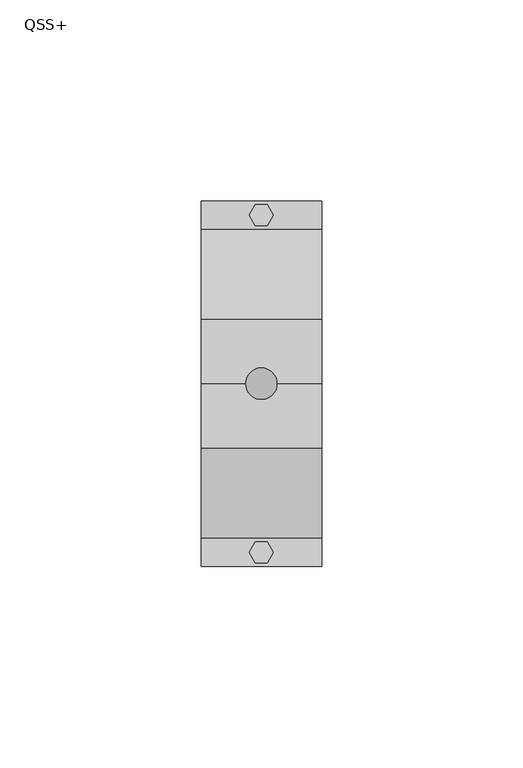
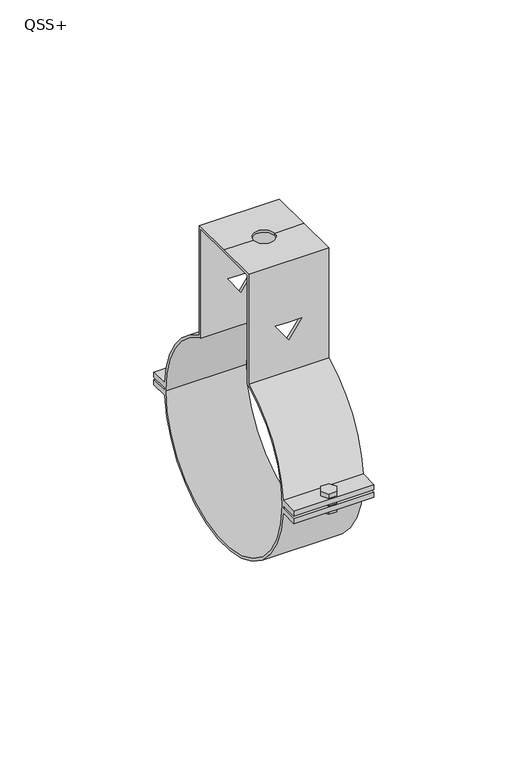
"""IFC4 building model written with IfcOpenShell, lengths in millimetres: proxy geometry, QSS+."""

import ifcopenshell
import ifcopenshell.guid

model = None  # the IFC model being written
_history = None  # IfcOwnerHistory: only IFC2X3 demands one
_inside = {}  # id of a spatial element -> (the spatial element, [elements in it])
_under = {}  # id of a project, library or spatial element -> (it, [spatial elements below it])
_declared = {}  # id of a project -> (the project, [libraries it declares])
_typed = {}  # id of a type object -> (the type object, [elements of that type])
_made_of = {}  # id of a material, layer set ... -> (it, [elements and type objects made of it])


def new_model(schema):
    """Start an empty IFC model of exactly this schema.

    Asked for "IFC4X3", IfcOpenShell would pick the latest addendum, in which some entities
    have other attributes; the version numbers below select the first issue.
    IFC2X3 requires an IfcOwnerHistory on every rooted entity: one is made here for all.
    """
    global model, _history
    if schema == "IFC4X3":
        model = ifcopenshell.file(schema_version=(4, 3, 0, 0))
    else:
        model = ifcopenshell.file(schema=schema)
    _inside.clear()
    _under.clear()
    _declared.clear()
    _typed.clear()
    _made_of.clear()
    _history = None
    if model.schema == "IFC2X3":
        org = make("IfcOrganization", Name="unknown")
        user = make(
            "IfcPersonAndOrganization",
            ThePerson=make("IfcPerson", FamilyName="unknown"),
            TheOrganization=org,
        )
        app = make(
            "IfcApplication",
            ApplicationDeveloper=org,
            Version="unknown",
            ApplicationFullName="unknown",
            ApplicationIdentifier="unknown",
        )
        _history = make(
            "IfcOwnerHistory",
            OwningUser=user,
            OwningApplication=app,
            ChangeAction="ADDED",
            CreationDate=0,
        )
    return model


def make(cls, **values):
    """One entity of the class cls with the attributes given. An attribute that is None is left unset."""
    return model.create_entity(
        cls, **{name: value for name, value in values.items() if value is not None}
    )


def rooted(cls, **values):
    """An entity with a GlobalId (a new one), such as an element, a storey or a relation."""
    return make(cls, GlobalId=ifcopenshell.guid.new(), OwnerHistory=_history, **values)


def si_unit(unit_type, name, prefix=None):
    """IfcSIUnit, for example si_unit("LENGTHUNIT", "METRE", prefix="MILLI")."""
    return make("IfcSIUnit", UnitType=unit_type, Prefix=prefix, Name=name)


def assignment(units):
    """IfcUnitAssignment: the units of a project."""
    return None if units is None else make("IfcUnitAssignment", Units=units)


def point(xyz):
    """IfcCartesianPoint."""
    return None if xyz is None else make("IfcCartesianPoint", Coordinates=xyz)


def direction(xyz):
    """IfcDirection."""
    return None if xyz is None else make("IfcDirection", DirectionRatios=xyz)


def frame(location, z_axis=None, x_axis=None):
    """IfcAxis2Placement3D, a coordinate frame: its origin and axes. An axis left out is left unset."""
    return make(
        "IfcAxis2Placement3D",
        Location=point(location),
        Axis=direction(z_axis),
        RefDirection=direction(x_axis),
    )


def origin():
    """The frame at (0, 0, 0) with its axes left unset."""
    return frame((0.0, 0.0, 0.0))


def place(relative_to, where):
    """IfcLocalPlacement: puts the frame where relative to a parent placement (None: the world)."""
    return make(
        "IfcLocalPlacement", PlacementRelTo=relative_to, RelativePlacement=where
    )


def context(
    kind, dimensions, precision=None, world=None, true_north=None, identifier=None
):
    """IfcGeometricRepresentationContext, for example the 3D "Model" context."""
    return make(
        "IfcGeometricRepresentationContext",
        ContextIdentifier=identifier,
        ContextType=kind,
        CoordinateSpaceDimension=dimensions,
        Precision=precision,
        WorldCoordinateSystem=world,
        TrueNorth=true_north,
    )


def project(units=None, contexts=None):
    """IfcProject with its units and contexts."""
    return rooted(
        "IfcProject",
        Name="project",
        RepresentationContexts=contexts,
        UnitsInContext=assignment(units),
    )


def spatial(cls, under=None, at=None, **own):
    """A site, building, storey or space (cls), placed at a placement, below another one or the project."""
    s = rooted(cls, ObjectPlacement=at, **own)
    if under is not None:
        _under.setdefault(under.id(), (under, []))[1].append(s)
    return s


def polyline(points):
    """IfcPolyline through the points."""
    return make("IfcPolyline", Points=[point(p) for p in points])


def circle_curve(where, radius):
    """IfcCircle in the frame where."""
    return make("IfcCircle", Position=where, Radius=radius)


def outline(outer, holes=None, kind="AREA"):
    """IfcArbitraryClosedProfileDef: a profile drawn as a closed curve; with holes, ...WithVoids."""
    if holes is None:
        return make("IfcArbitraryClosedProfileDef", ProfileType=kind, OuterCurve=outer)
    return make(
        "IfcArbitraryProfileDefWithVoids",
        ProfileType=kind,
        OuterCurve=outer,
        InnerCurves=holes,
    )


def extrude(swept, where, along, depth):
    """IfcExtrudedAreaSolid: the profile swept, set in the frame where, extruded along a direction by depth."""
    return make(
        "IfcExtrudedAreaSolid",
        SweptArea=swept,
        Position=where,
        ExtrudedDirection=direction(along),
        Depth=depth,
    )


def shape(context_of_items, identifier, shape_type, items):
    """IfcShapeRepresentation: the items that make up one representation, for example the "Body"."""
    return make(
        "IfcShapeRepresentation",
        ContextOfItems=context_of_items,
        RepresentationIdentifier=identifier,
        RepresentationType=shape_type,
        Items=items,
    )


def source(mapping_origin, context_of_items, identifier, shape_type, items):
    """IfcRepresentationMap: a shape defined once, which mapped items show again and again."""
    return make(
        "IfcRepresentationMap",
        MappingOrigin=mapping_origin,
        MappedRepresentation=shape(context_of_items, identifier, shape_type, items),
    )


def transform(
    local_origin,
    x_axis=None,
    y_axis=None,
    z_axis=None,
    scale=None,
    scale2=None,
    scale3=None,
    uniform=True,
):
    """IfcCartesianTransformationOperator3D, or its non-uniform kind. x_axis, y_axis, z_axis: its Axis1, 2, 3."""
    if uniform:
        return make(
            "IfcCartesianTransformationOperator3D",
            Axis1=direction(x_axis),
            Axis2=direction(y_axis),
            LocalOrigin=point(local_origin),
            Scale=scale,
            Axis3=direction(z_axis),
        )
    return make(
        "IfcCartesianTransformationOperator3DnonUniform",
        Axis1=direction(x_axis),
        Axis2=direction(y_axis),
        LocalOrigin=point(local_origin),
        Scale=scale,
        Axis3=direction(z_axis),
        Scale2=scale2,
        Scale3=scale3,
    )


def mapped(mapping_source, mapping_target):
    """IfcMappedItem: shows the shape of a source again, moved by a transform."""
    return make(
        "IfcMappedItem", MappingSource=mapping_source, MappingTarget=mapping_target
    )


def made_of(thing, what):
    """Note that an element or type object is made of a material, layer set ...; save() writes the relation."""
    if what is not None:
        _made_of.setdefault(what.id(), (what, []))[1].append(thing)
    return thing


def element(
    cls,
    number,
    at=None,
    inside=None,
    cuts=None,
    type_object=None,
    material=None,
    context=None,
    identifier="Body",
    shape_type=None,
    held_by="IfcProductDefinitionShape",
    body=None,
    shapes=None,
    **own,
):
    """One element of the class cls, such as IfcWall. Its Tag is "e" and its number.

    at: its placement. inside: the storey or other place that contains it. cuts: it is an
    opening in that element (IfcRelVoidsElement). A single representation is given by context,
    identifier, shape_type and body (its items); several are given by shapes. held_by: the class
    of the entity that holds the representations. save() writes the other relations.
    """
    e = rooted(cls, Tag="e%d" % number, ObjectPlacement=at, **own)
    if body is not None:
        shapes = [shape(context, identifier, shape_type, body)]
    if shapes is not None:
        e.Representation = make(held_by, Representations=shapes)
    if inside is not None:
        _inside.setdefault(inside.id(), (inside, []))[1].append(e)
    if cuts is not None:
        rooted(
            "IfcRelVoidsElement", RelatingBuildingElement=cuts, RelatedOpeningElement=e
        )
    if type_object is not None:
        _typed.setdefault(type_object.id(), (type_object, []))[1].append(e)
    return made_of(e, material)


def aggregate(whole, parts):
    """IfcRelAggregates: a whole, such as a stair, and the parts it consists of."""
    return rooted("IfcRelAggregates", RelatingObject=whole, RelatedObjects=parts)


def save(model, path):
    """Write the relations noted so far, then the file.

    IfcRelAggregates (storeys below a building ...), IfcRelContainedInSpatialStructure (elements
    in a storey), IfcRelDefinesByType, IfcRelAssociatesMaterial and IfcRelDeclares: one each for
    every whole, place, type object, material and project.
    """
    for whole, parts in _under.values():
        aggregate(whole, parts)
    for where, things in _inside.values():
        rooted(
            "IfcRelContainedInSpatialStructure",
            RelatedElements=things,
            RelatingStructure=where,
        )
    for kind, things in _typed.values():
        rooted("IfcRelDefinesByType", RelatedObjects=things, RelatingType=kind)
    for what, things in _made_of.values():
        rooted("IfcRelAssociatesMaterial", RelatedObjects=things, RelatingMaterial=what)
    for by, libraries in _declared.values():
        rooted("IfcRelDeclares", RelatingContext=by, RelatedDefinitions=libraries)
    model.write(path)


def plane_surface(at):
    """IfcPlane: the flat surface through the origin of the frame at, square to its z axis."""
    return make("IfcPlane", Position=at)


def cylinder_surface(at, radius):
    """IfcCylindricalSurface: all points at the distance radius from the z axis of the frame at."""
    return make("IfcCylindricalSurface", Position=at, Radius=radius)


def revolved_surface(curve, axis_point, axis_direction):
    """IfcSurfaceOfRevolution: the curve turned about the line through axis_point along axis_direction."""
    return make(
        "IfcSurfaceOfRevolution",
        SweptCurve=make("IfcArbitraryOpenProfileDef", ProfileType="CURVE", Curve=curve),
        AxisPosition=make("IfcAxis1Placement", Location=point(axis_point), Axis=direction(axis_direction)),
    )


def advanced_brep(points, edges, surfaces, faces):
    """IfcAdvancedBrep: a solid bounded by faces that lie on surfaces and meet in shared edges.

    An edge is (start, end): straight between two places in points (the first is 0);
    or (start, end, curve); or (start, end, curve, False) where it runs against its curve.
    A face is (place in surfaces, loops), or (place, loops, False) where it looks against
    its surface's normal. A loop lists edges by number (the first is 1), with a minus sign
    where the edge is run from its end to its start. The first loop is the outer one.
    """
    corners = [point(p) for p in points]
    vertices = [make("IfcVertexPoint", VertexGeometry=c) for c in corners]
    made = []
    for start, end, *more in edges:
        made.append(
            make(
                "IfcEdgeCurve",
                EdgeStart=vertices[start],
                EdgeEnd=vertices[end],
                EdgeGeometry=more[0] if more else make("IfcPolyline", Points=[corners[start], corners[end]]),
                SameSense=more[1] if len(more) > 1 else True,
            )
        )
    hull = []
    for where, loops, *sense in faces:
        bounds = []
        for j, loop in enumerate(loops):
            ring = [make("IfcOrientedEdge", EdgeElement=made[abs(k) - 1], Orientation=k > 0) for k in loop]
            bounds.append(
                make(
                    "IfcFaceOuterBound" if j == 0 else "IfcFaceBound",
                    Bound=make("IfcEdgeLoop", EdgeList=ring),
                    Orientation=True,
                )
            )
        hull.append(make("IfcAdvancedFace", Bounds=bounds, FaceSurface=surfaces[where], SameSense=sense[0] if sense else True))
    return make("IfcAdvancedBrep", Outer=make("IfcClosedShell", CfsFaces=hull))


def qss_666f167e(model_context):
    return source(origin(), model_context, "Body", "SolidModel", [
        extrude(outline(polyline([(1.5, 44.5980762), (3.0, 42.0), (1.5, 39.4019238), (-1.5, 39.4019238), (-3.0, 42.0), (-1.5, 44.5980762), (1.5, 44.5980762)])), frame((0.0, 0.0, -4.0), z_axis=(0.0, 0.0, 1.0), x_axis=(1.0, 0.0, 0.0)), (0.0, 0.0, 1.0), 8.0),
        extrude(outline(polyline([(1.5, -44.5980762), (-1.5, -44.5980762), (-3.0, -42.0), (-1.5, -39.4019238), (1.5, -39.4019238), (3.0, -42.0), (1.5, -44.5980762)])), frame((0.0, 0.0, -4.0), z_axis=(0.0, 0.0, 1.0), x_axis=(1.0, 0.0, 0.0)), (0.0, 0.0, 1.0), 8.0),
        advanced_brep(
        [(-15.0, -16.0, 78.5), (-15.0, 0.0, 78.5), (-15.0, 16.0, 78.5), (-15.0, 16.0, 35.0178526), (-15.0, 38.4208961, 2.4667277), (-15.0, 45.5, 2.4667277), (-15.0, 45.5, 0.4667277), (-15.0, 38.4971709, 0.4667277), (-15.0, 38.5, 0.0), (-15.0, 38.4971709, -0.4667277), (-15.0, 45.5, -0.4667277), (-15.0, 45.5, -2.4667277), (-15.0, 38.4208961, -2.4667277), (-15.0, -38.4184499, -2.5045372), (-15.0, -45.5, -2.5045372), (-15.0, -45.5, -0.5045372), (-15.0, -38.4966939, -0.5045372), (-15.0, -38.5, 0.0), (-15.0, -38.4966939, 0.5045372), (-15.0, -45.5, 0.5045372), (-15.0, -45.5, 2.5045372), (-15.0, -38.4184499, 2.5045372), (-15.0, -16.0, 35.0178526), (-15.0, 14.9730976, 77.5081289), (-15.0, 0.0, 77.5081289), (-15.0, -14.9730976, 77.5081289), (-15.0, -14.9730976, 34.3810463), (-15.0, -16.0, 33.9153358), (-15.0, -37.5, 0.0), (-15.0, 37.5, 0.0), (-15.0, 16.0, 33.9153358), (-15.0, 14.9730976, 34.3810463), (15.0, 16.0, 78.5), (15.0, 0.0, 78.5), (15.0, -16.0, 78.5), (15.0, -16.0, 35.0178526), (15.0, -38.4184499, 2.5045372), (15.0, -45.5, 2.5045372), (15.0, -45.5, 0.5045372), (15.0, -38.4966939, 0.5045372), (15.0, -38.5, 0.0), (15.0, -38.4966939, -0.5045372), (15.0, -45.5, -0.5045372), (15.0, -45.5, -2.5045372), (15.0, -38.4184499, -2.5045372), (15.0, 38.4208961, -2.4667277), (15.0, 45.5, -2.4667277), (15.0, 45.5, -0.4667277), (15.0, 38.4971709, -0.4667277), (15.0, 38.5, 0.0), (15.0, 38.4971709, 0.4667277), (15.0, 45.5, 0.4667277), (15.0, 45.5, 2.4667277), (15.0, 38.4208961, 2.4667277), (15.0, 16.0, 35.0178526), (15.0, -14.9730976, 77.5081289), (15.0, 0.0, 77.5081289), (15.0, 14.9730976, 77.5081289), (15.0, 14.9730976, 34.3810463), (15.0, 16.0, 33.9153358), (15.0, 37.5, 0.0), (15.0, -37.5, 0.0), (15.0, -16.0, 33.9153358), (15.0, -14.9730976, 34.3810463), (-4.0, 0.0, 78.5), (4.0, 0.0, 78.5), (0.0, -16.0, 54.3826485), (4.9139468, -16.0, 54.3826485), (0.0, -16.0, 47.3648052), (-4.9139468, -16.0, 54.3826485), (4.9139468, -14.9730976, 54.3826485), (0.0, -14.9730976, 54.3826485), (-4.9139468, -14.9730976, 54.3826485), (0.0, -14.9730976, 47.3648052), (-4.0, 0.0, 77.5081289), (4.0, 0.0, 77.5081289), (0.0, 14.9730976, 54.3826485), (4.9139468, 14.9730976, 54.3826485), (0.0, 14.9730976, 47.3648052), (-4.9139468, 14.9730976, 54.3826485), (4.9139468, 16.0, 54.3826485), (0.0, 16.0, 54.3826485), (-4.9139468, 16.0, 54.3826485), (0.0, 16.0, 47.3648052)],
        [
            (0, 1),
            (1, 2),
            (2, 3),
            (3, 4, circle_curve(frame((-15.0, 0.0, 0.0), z_axis=(-1.0, 0.0, 0.0), x_axis=(0.0, 1.0, 0.0)), 38.5)),
            (4, 5),
            (5, 6),
            (6, 7),
            (7, 8, circle_curve(frame((-15.0, 0.0, 0.0), z_axis=(-1.0, 0.0, 0.0), x_axis=(0.0, 1.0, 0.0)), 38.5)),
            (8, 9, circle_curve(frame((-15.0, 0.0, 0.0), z_axis=(-1.0, 0.0, 0.0), x_axis=(0.0, 1.0, 0.0)), 38.5)),
            (9, 10),
            (10, 11),
            (11, 12),
            (12, 13, circle_curve(frame((-15.0, 0.0, 0.0), z_axis=(-1.0, 0.0, 0.0), x_axis=(0.0, 1.0, 0.0)), 38.5)),
            (13, 14),
            (14, 15),
            (15, 16),
            (16, 17, circle_curve(frame((-15.0, 0.0, 0.0), z_axis=(-1.0, 0.0, 0.0), x_axis=(0.0, 1.0, 0.0)), 38.5)),
            (17, 18, circle_curve(frame((-15.0, 0.0, 0.0), z_axis=(-1.0, 0.0, 0.0), x_axis=(0.0, 1.0, 0.0)), 38.5)),
            (18, 19),
            (19, 20),
            (20, 21),
            (21, 22, circle_curve(frame((-15.0, 0.0, 0.0), z_axis=(-1.0, 0.0, 0.0), x_axis=(0.0, 1.0, 0.0)), 38.5)),
            (22, 0),
            (23, 24),
            (24, 25),
            (25, 26),
            (26, 27, circle_curve(frame((-15.0, 0.0, 0.0), z_axis=(1.0, 0.0, 0.0), x_axis=(0.0, 1.0, 0.0)), 37.5)),
            (27, 28, circle_curve(frame((-15.0, 0.0, 0.0), z_axis=(1.0, 0.0, 0.0), x_axis=(0.0, 1.0, 0.0)), 37.5)),
            (28, 29, circle_curve(frame((-15.0, 0.0, 0.0), z_axis=(1.0, 0.0, 0.0), x_axis=(0.0, 1.0, 0.0)), 37.5)),
            (29, 30, circle_curve(frame((-15.0, 0.0, 0.0), z_axis=(1.0, 0.0, 0.0), x_axis=(0.0, 1.0, 0.0)), 37.5)),
            (30, 31, circle_curve(frame((-15.0, 0.0, 0.0), z_axis=(1.0, 0.0, 0.0), x_axis=(0.0, 1.0, 0.0)), 37.5)),
            (31, 23),
            (32, 33),
            (33, 34),
            (34, 35),
            (35, 36, circle_curve(frame((15.0, 0.0, 0.0), z_axis=(1.0, 0.0, 0.0), x_axis=(0.0, 1.0, 0.0)), 38.5)),
            (36, 37),
            (37, 38),
            (38, 39),
            (39, 40, circle_curve(frame((15.0, 0.0, 0.0), z_axis=(1.0, 0.0, 0.0), x_axis=(0.0, 1.0, 0.0)), 38.5)),
            (40, 41, circle_curve(frame((15.0, 0.0, 0.0), z_axis=(1.0, 0.0, 0.0), x_axis=(0.0, 1.0, 0.0)), 38.5)),
            (41, 42),
            (42, 43),
            (43, 44),
            (44, 45, circle_curve(frame((15.0, 0.0, 0.0), z_axis=(1.0, 0.0, 0.0), x_axis=(0.0, 1.0, 0.0)), 38.5)),
            (45, 46),
            (46, 47),
            (47, 48),
            (48, 49, circle_curve(frame((15.0, 0.0, 0.0), z_axis=(1.0, 0.0, 0.0), x_axis=(0.0, 1.0, 0.0)), 38.5)),
            (49, 50, circle_curve(frame((15.0, 0.0, 0.0), z_axis=(1.0, 0.0, 0.0), x_axis=(0.0, 1.0, 0.0)), 38.5)),
            (50, 51),
            (51, 52),
            (52, 53),
            (53, 54, circle_curve(frame((15.0, 0.0, 0.0), z_axis=(1.0, 0.0, 0.0), x_axis=(0.0, 1.0, 0.0)), 38.5)),
            (54, 32),
            (55, 56),
            (56, 57),
            (57, 58),
            (58, 59, circle_curve(frame((15.0, 0.0, 0.0), z_axis=(-1.0, 0.0, 0.0), x_axis=(0.0, 1.0, 0.0)), 37.5)),
            (59, 60, circle_curve(frame((15.0, 0.0, 0.0), z_axis=(-1.0, 0.0, 0.0), x_axis=(0.0, 1.0, 0.0)), 37.5)),
            (60, 61, circle_curve(frame((15.0, 0.0, 0.0), z_axis=(-1.0, 0.0, 0.0), x_axis=(0.0, 1.0, 0.0)), 37.5)),
            (61, 62, circle_curve(frame((15.0, 0.0, 0.0), z_axis=(-1.0, 0.0, 0.0), x_axis=(0.0, 1.0, 0.0)), 37.5)),
            (62, 63, circle_curve(frame((15.0, 0.0, 0.0), z_axis=(-1.0, 0.0, 0.0), x_axis=(0.0, 1.0, 0.0)), 37.5)),
            (63, 55),
            (1, 64),
            (64, 65, circle_curve(frame((0.0, 0.0, 78.5), z_axis=(0.0, 0.0, -1.0), x_axis=(1.0, 0.0, 0.0)), 4.0)),
            (65, 33),
            (32, 2),
            (0, 34),
            (65, 64, circle_curve(frame((0.0, 0.0, 78.5), z_axis=(0.0, 0.0, -1.0), x_axis=(1.0, 0.0, 0.0)), 4.0)),
            (22, 35),
            (66, 67),
            (67, 68),
            (68, 69),
            (69, 66),
            (25, 55),
            (63, 26),
            (70, 71),
            (71, 72),
            (72, 73),
            (73, 70),
            (24, 74),
            (74, 75, circle_curve(frame((0.0, 0.0, 77.5081289), z_axis=(0.0, 0.0, 1.0), x_axis=(1.0, 0.0, 0.0)), 4.0)),
            (75, 56),
            (23, 57),
            (75, 74, circle_curve(frame((0.0, 0.0, 77.5081289), z_axis=(0.0, 0.0, 1.0), x_axis=(1.0, 0.0, 0.0)), 4.0)),
            (31, 58),
            (76, 77),
            (77, 78),
            (78, 79),
            (79, 76),
            (54, 3),
            (80, 81),
            (81, 82),
            (82, 83),
            (83, 80),
            (61, 28),
            (27, 62),
            (29, 60),
            (59, 30),
            (40, 17),
            (16, 41),
            (8, 49),
            (48, 9),
            (12, 45),
            (44, 13),
            (21, 36),
            (53, 4),
            (39, 18),
            (7, 50),
            (6, 51),
            (5, 52),
            (11, 46),
            (10, 47),
            (38, 19),
            (37, 20),
            (43, 14),
            (42, 15),
            (70, 67),
            (66, 71),
            (80, 77),
            (76, 81),
            (69, 72),
            (79, 82),
            (68, 73),
            (78, 83),
            (65, 75),
            (74, 64),
        ],
        [
            plane_surface(frame((-15.0, 16.0, 78.5), z_axis=(-1.0, 0.0, 0.0), x_axis=(0.0, 1.0, 0.0))),
            plane_surface(frame((15.0, 16.0, 78.5), z_axis=(1.0, 0.0, 0.0), x_axis=(0.0, -1.0, 0.0))),
            plane_surface(frame((15.0, 16.0, 78.5), z_axis=(0.0, 0.0, 1.0), x_axis=(-1.0, 0.0, 0.0))),
            plane_surface(frame((15.0, 0.0, 78.5), z_axis=(0.0, 0.0, 1.0), x_axis=(-1.0, 0.0, 0.0))),
            plane_surface(frame((15.0, -16.0, 78.5), z_axis=(0.0, -1.0, 0.0), x_axis=(-1.0, 0.0, 0.0))),
            plane_surface(frame((15.0, -14.9730976, 0.0), z_axis=(0.0, 1.0, 0.0), x_axis=(-1.0, 0.0, 0.0))),
            plane_surface(frame((15.0, -14.9730976, 77.5081289), z_axis=(0.0, 0.0, -1.0), x_axis=(-1.0, 0.0, 0.0))),
            plane_surface(frame((15.0, 0.0, 77.5081289), z_axis=(0.0, 0.0, -1.0), x_axis=(-1.0, 0.0, 0.0))),
            plane_surface(frame((15.0, 14.9730976, 77.5081289), z_axis=(0.0, -1.0, 0.0), x_axis=(-1.0, 0.0, 0.0))),
            plane_surface(frame((15.0, 16.0, 0.0), z_axis=(0.0, 1.0, 0.0), x_axis=(-1.0, 0.0, 0.0))),
            revolved_surface(polyline([(-15.0, 37.5, 0.0), (15.0, 37.5, 0.0)]), (-15.0, 0.0, 0.0), (-1.0, 0.0, 0.0)),
            cylinder_surface(frame((0.0, 0.0, 0.0), z_axis=(1.0, 0.0, 0.0), x_axis=(0.0, 1.0, 0.0)), 38.5),
            revolved_surface(polyline([(15.0, 37.5, 0.0), (-15.0, 37.5, 0.0)]), (-15.0, 0.0, 0.0), (1.0, 0.0, 0.0)),
            plane_surface(frame((15.0, 37.7591075, 0.4667277), z_axis=(0.0, 0.0, -1.0), x_axis=(-1.0, 0.0, 0.0))),
            plane_surface(frame((15.0, 45.5, 0.4667277), z_axis=(0.0, 1.0, 0.0), x_axis=(-1.0, 0.0, 0.0))),
            plane_surface(frame((15.0, 45.5, 2.4667277), z_axis=(0.0, 0.0, 1.0), x_axis=(-1.0, 0.0, 0.0))),
            plane_surface(frame((15.0, 37.7591075, -2.4667277), z_axis=(0.0, 0.0, -1.0), x_axis=(-1.0, 0.0, 0.0))),
            plane_surface(frame((15.0, 45.5, -2.4667277), z_axis=(0.0, 1.0, 0.0), x_axis=(-1.0, 0.0, 0.0))),
            plane_surface(frame((15.0, 45.5, -0.4667277), z_axis=(0.0, 0.0, 1.0), x_axis=(-1.0, 0.0, 0.0))),
            plane_surface(frame((15.0, -45.5, 0.5045372), z_axis=(0.0, 0.0, -1.0), x_axis=(-1.0, 0.0, 0.0))),
            plane_surface(frame((15.0, -45.5, 2.5045372), z_axis=(0.0, -1.0, 0.0), x_axis=(-1.0, 0.0, 0.0))),
            plane_surface(frame((15.0, -37.7591075, 2.5045372), z_axis=(0.0, 0.0, 1.0), x_axis=(-1.0, 0.0, 0.0))),
            plane_surface(frame((15.0, -45.5, -2.5045372), z_axis=(0.0, 0.0, -1.0), x_axis=(-1.0, 0.0, 0.0))),
            plane_surface(frame((15.0, -45.5, -0.5045372), z_axis=(0.0, -1.0, 0.0), x_axis=(-1.0, 0.0, 0.0))),
            plane_surface(frame((15.0, -37.7591075, -0.5045372), z_axis=(0.0, 0.0, 1.0), x_axis=(-1.0, 0.0, 0.0))),
            plane_surface(frame((4.9139468, -23.1577597, 54.3826485), z_axis=(0.0, 0.0, -1.0), x_axis=(0.0, 1.0, 0.0))),
            plane_surface(frame((0.0, -23.1577597, 54.3826485), z_axis=(0.0, 0.0, -1.0), x_axis=(0.0, 1.0, 0.0))),
            plane_surface(frame((-4.9139468, -23.1577597, 54.3826485), z_axis=(0.8191520442889921, 0.0, 0.5735764363510457), x_axis=(0.0, 1.0, 0.0))),
            plane_surface(frame((0.0, -23.1577597, 47.3648052), z_axis=(-0.8191520442889922, 0.0, 0.5735764363510454), x_axis=(0.0, 1.0, 0.0))),
            revolved_surface(polyline([(4.0, 0.0, 78.5), (4.0, 0.0, 77.5081289)]), (0.0, 0.0, 77.5081289), (0.0, 0.0, 1.0)),
        ],
        [
            (0, [[1, 2, 3, 4, 5, 6, 7, 8, 9, 10, 11, 12, 13, 14, 15, 16, 17, 18, 19, 20, 21, 22, 23], [24, 25, 26, 27, 28, 29, 30, 31, 32]]),
            (1, [[33, 34, 35, 36, 37, 38, 39, 40, 41, 42, 43, 44, 45, 46, 47, 48, 49, 50, 51, 52, 53, 54, 55], [56, 57, 58, 59, 60, 61, 62, 63, 64]]),
            (2, [[-2, 65, 66, 67, -33, 68]]),
            (3, [[-1, 69, -34, -67, 70, -65]]),
            (4, [[-69, -23, 71, -35], [72, 73, 74, 75]]),
            (5, [[76, -64, 77, -26], [78, 79, 80, 81]]),
            (6, [[-25, 82, 83, 84, -56, -76]]),
            (7, [[-24, 85, -57, -84, 86, -82]]),
            (8, [[-85, -32, 87, -58], [88, 89, 90, 91]]),
            (9, [[-68, -55, 92, -3], [93, 94, 95, 96]]),
            (10, [[97, -28, 98, -62]]),
            (10, [[99, -60, 100, -30]]),
            (10, [[-29, -97, -61, -99]]),
            (11, [[101, -17, 102, -41]]),
            (11, [[103, -49, 104, -9]]),
            (11, [[105, -45, 106, -13]]),
            (11, [[-71, -22, 107, -36]]),
            (11, [[-92, -54, 108, -4]]),
            (11, [[-101, -40, 109, -18]]),
            (11, [[-103, -8, 110, -50]]),
            (12, [[-27, -77, -63, -98]]),
            (12, [[-31, -100, -59, -87]]),
            (13, [[111, -51, -110, -7]]),
            (14, [[-52, -111, -6, 112]]),
            (15, [[-112, -5, -108, -53]]),
            (16, [[113, -46, -105, -12]]),
            (17, [[-47, -113, -11, 114]]),
            (18, [[-114, -10, -104, -48]]),
            (19, [[115, -19, -109, -39]]),
            (20, [[-38, 116, -20, -115]]),
            (21, [[-116, -37, -107, -21]]),
            (22, [[117, -14, -106, -44]]),
            (23, [[-43, 118, -15, -117]]),
            (24, [[-118, -42, -102, -16]]),
            (25, [[119, -72, 120, -78]]),
            (25, [[121, -88, 122, -93]]),
            (26, [[-120, -75, 123, -79]]),
            (26, [[-122, -91, 124, -94]]),
            (27, [[-123, -74, 125, -80]]),
            (27, [[-124, -90, 126, -95]]),
            (28, [[-119, -81, -125, -73]]),
            (28, [[-121, -96, -126, -89]]),
            (29, [[127, -83, 128, -70]]),
            (29, [[-127, -66, -128, -86]]),
        ],
    ),
    ])


if __name__ == "__main__":
    model = new_model("IFC4")
    model_context = context("Model", 3, world=origin())
    ifc_project = project(units=[si_unit("LENGTHUNIT", "METRE", prefix="MILLI")], contexts=[model_context])
    site = spatial("IfcSite", under=ifc_project)
    building = spatial("IfcBuilding", under=site)
    placement = place(None, origin())
    qss_shape = qss_666f167e(model_context)
    element("IfcBuildingElementProxy", 1, Name="QSS+", ObjectType="QSS+", at=placement, inside=building, context=model_context, shape_type="MappedRepresentation", body=[
        mapped(qss_shape, transform((0.0, 0.0, 0.0), x_axis=(1.0, 0.0, 0.0), y_axis=(0.0, 1.0, 0.0), z_axis=(0.0, 0.0, 1.0))),
    ])
    save(model, "model.ifc")
